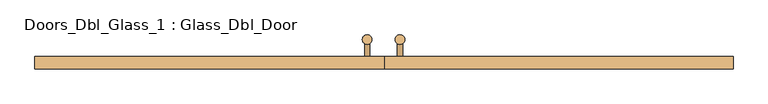
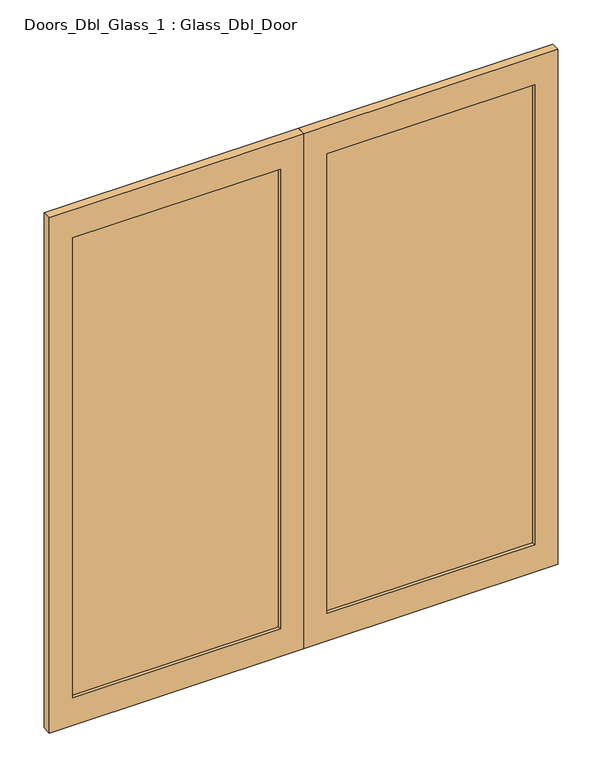
"""IFC4 building model written with IfcOpenShell, lengths in millimetres: door geometry, Doors_Dbl_Glass_1 : Glass_Dbl_Door."""

from ifc_helpers import new_model, si_unit, point, frame, frame_2d, origin, place, context, project, spatial, polyline, circle_curve, trimmed, segment, composite_curve, outline, extrude, source, transform, mapped, element, save


def doors_dbl_glass_1_glass_dbl_door_185e6ab9(model_context):
    return source(origin(), model_context, "Body", "SweptSolid", [
        extrude(outline(composite_curve([segment(trimmed(circle_curve(frame_2d((49.6069979, 116.0715804)), 15.0), [point((49.6069979, 101.0715804))], [point((49.6069979, 131.0715804))], False, "CARTESIAN"), True, "CONTINUOUS"), segment(trimmed(circle_curve(frame_2d((49.6069979, 116.0715804)), 15.0), [point((49.6069979, 131.0715804))], [point((49.6069979, 101.0715804))], False, "CARTESIAN"), True, "CONTINUOUS")], self_intersect=False)), frame((0.0, 0.0, 650.0), z_axis=(0.0, 0.0, 1.0), x_axis=(1.0, 0.0, 0.0)), (0.0, 0.0, 1.0), 900.0),
        extrude(outline(composite_curve([segment(trimmed(circle_curve(frame_2d((-52.537897, 116.0715804)), 15.0), [point((-52.537897, 101.0715804))], [point((-52.537897, 131.0715804))], False, "CARTESIAN"), True, "CONTINUOUS"), segment(trimmed(circle_curve(frame_2d((-52.537897, 116.0715804)), 15.0), [point((-52.537897, 131.0715804))], [point((-52.537897, 101.0715804))], False, "CARTESIAN"), True, "CONTINUOUS")], self_intersect=False)), frame((0.0, 0.0, 650.0), z_axis=(0.0, 0.0, 1.0), x_axis=(1.0, 0.0, 0.0)), (0.0, 0.0, 1.0), 900.0),
        extrude(outline(composite_curve([segment(trimmed(circle_curve(frame_2d((750.0, 49.6069979)), 8.0), [point((750.0, 57.6069979))], [point((750.0, 41.6069979))], False, "CARTESIAN"), True, "CONTINUOUS"), segment(trimmed(circle_curve(frame_2d((750.0, 49.6069979)), 8.0), [point((750.0, 41.6069979))], [point((750.0, 57.6069979))], False, "CARTESIAN"), True, "CONTINUOUS")], self_intersect=False)), frame((0.0, 62.5788556, 0.0), z_axis=(0.0, 1.0, 0.0), x_axis=(0.0, 0.0, 1.0)), (0.0, 0.0, 1.0), 53.4927248),
        extrude(outline(composite_curve([segment(trimmed(circle_curve(frame_2d((750.0, -52.537897)), 8.0), [point((750.0, -44.537897))], [point((750.0, -60.537897))], False, "CARTESIAN"), True, "CONTINUOUS"), segment(trimmed(circle_curve(frame_2d((750.0, -52.537897)), 8.0), [point((750.0, -60.537897))], [point((750.0, -44.537897))], False, "CARTESIAN"), True, "CONTINUOUS")], self_intersect=False)), frame((0.0, 62.5788556, 0.0), z_axis=(0.0, 1.0, 0.0), x_axis=(0.0, 0.0, 1.0)), (0.0, 0.0, 1.0), 53.4927248),
        extrude(outline(composite_curve([segment(trimmed(circle_curve(frame_2d((1450.0, 49.6069979)), 8.0), [point((1450.0, 57.6069979))], [point((1450.0, 41.6069979))], False, "CARTESIAN"), True, "CONTINUOUS"), segment(trimmed(circle_curve(frame_2d((1450.0, 49.6069979)), 8.0), [point((1450.0, 41.6069979))], [point((1450.0, 57.6069979))], False, "CARTESIAN"), True, "CONTINUOUS")], self_intersect=False)), frame((0.0, 62.5788556, 0.0), z_axis=(0.0, 1.0, 0.0), x_axis=(0.0, 0.0, 1.0)), (0.0, 0.0, 1.0), 53.4927248),
        extrude(outline(composite_curve([segment(trimmed(circle_curve(frame_2d((1450.0, -52.537897)), 8.0), [point((1450.0, -44.537897))], [point((1450.0, -60.537897))], False, "CARTESIAN"), True, "CONTINUOUS"), segment(trimmed(circle_curve(frame_2d((1450.0, -52.537897)), 8.0), [point((1450.0, -60.537897))], [point((1450.0, -44.537897))], False, "CARTESIAN"), True, "CONTINUOUS")], self_intersect=False)), frame((0.0, 62.5788556, 0.0), z_axis=(0.0, 1.0, 0.0), x_axis=(0.0, 0.0, 1.0)), (0.0, 0.0, 1.0), 53.4927248),
        extrude(outline(polyline([(2325.0, -1086.5789473), (0.0, -1086.5789473), (0.0, 0.0), (2325.0, 0.0), (2325.0, -1086.5789473)]), holes=[polyline([(2200.0, -986.5789473), (2200.0, -100.0), (125.0, -100.0), (125.0, -986.5789473), (2200.0, -986.5789473)])]), frame((0.0, 24.035259, 0.0), z_axis=(0.0, 1.0, 0.0), x_axis=(0.0, 0.0, 1.0)), (0.0, 0.0, 1.0), 38.5435966),
        extrude(outline(polyline([(2325.0, 0.0), (0.0, 0.0), (0.0, 1086.5789473), (2325.0, 1086.5789473), (2325.0, 0.0)]), holes=[polyline([(2200.0, 100.0), (2200.0, 986.5789473), (125.0, 986.5789473), (125.0, 100.0), (2200.0, 100.0)])]), frame((0.0, 24.035259, 0.0), z_axis=(0.0, 1.0, 0.0), x_axis=(0.0, 0.0, 1.0)), (0.0, 0.0, 1.0), 38.5435966),
        extrude(outline(polyline([(-100.0, 38.0), (-986.5789473, 38.0), (-986.5789473, 50.0), (-100.0, 50.0), (-100.0, 38.0)])), frame((0.0, 0.0, 125.0), z_axis=(0.0, 0.0, 1.0), x_axis=(1.0, 0.0, 0.0)), (0.0, 0.0, 1.0), 2075.0),
        extrude(outline(polyline([(986.5789473, 38.0), (100.0, 38.0), (100.0, 50.0), (986.5789473, 50.0), (986.5789473, 38.0)])), frame((0.0, 0.0, 125.0), z_axis=(0.0, 0.0, 1.0), x_axis=(1.0, 0.0, 0.0)), (0.0, 0.0, 1.0), 2075.0),
    ])


if __name__ == "__main__":
    model = new_model("IFC4")
    model_context = context("Model", 3, world=origin())
    ifc_project = project(units=[si_unit("LENGTHUNIT", "METRE", prefix="MILLI")], contexts=[model_context])
    site = spatial("IfcSite", under=ifc_project)
    building = spatial("IfcBuilding", under=site)
    placement = place(None, origin())
    doors_dbl_glass_1_glass_dbl_door_shape = doors_dbl_glass_1_glass_dbl_door_185e6ab9(model_context)
    element("IfcDoor", 1, ObjectType="Doors_Dbl_Glass_1 : Glass_Dbl_Door", at=placement, inside=building, context=model_context, shape_type="MappedRepresentation", body=[
        mapped(doors_dbl_glass_1_glass_dbl_door_shape, transform((0.0, 0.0, 0.0), x_axis=(1.0, 0.0, 0.0), y_axis=(0.0, 1.0, 0.0), z_axis=(0.0, 0.0, 1.0))),
    ])
    save(model, "model.ifc")
